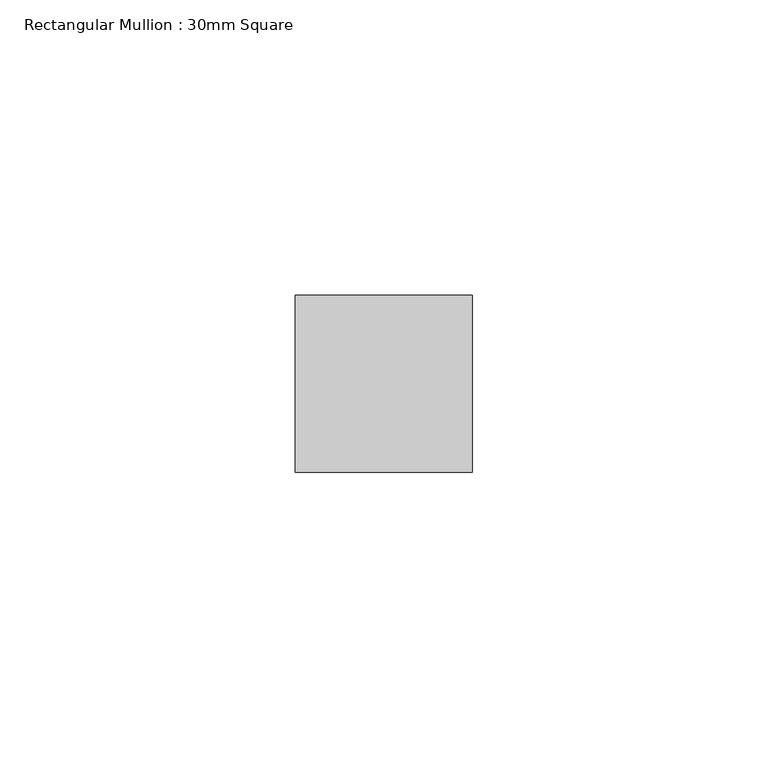
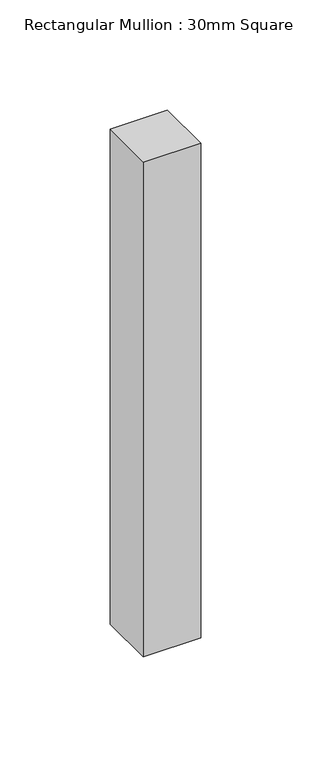
"""IFC4 building model written with IfcOpenShell, lengths in millimetres: member geometry, Rectangular Mullion : 30mm Square."""

from ifc_helpers import new_model, si_unit, origin, place, context, project, spatial, faceted_brep, source, transform, mapped, element, save


def rectangular_mullion_30mm_square_65984697(model_context):
    return source(origin(), model_context, "Body", "Brep", [
        faceted_brep([(0.0, 15.0, 0.0), (-30.0, 15.0, 0.0), (-30.0, -15.0, 0.0), (0.0, -15.0, 0.0), (0.0, 15.0, -274.5375653), (-30.0, 15.0, -274.5375653), (-30.0, -14.8584275, -274.2570617), (0.0, -15.0, -274.2557317)], [[[0, 1, 2, 3]], [[1, 0, 4, 5]], [[2, 1, 5, 6]], [[3, 2, 6, 7]], [[0, 3, 7, 4]], [[4, 7, 6, 5]]]),
    ])


if __name__ == "__main__":
    model = new_model("IFC4")
    model_context = context("Model", 3, world=origin())
    ifc_project = project(units=[si_unit("LENGTHUNIT", "METRE", prefix="MILLI")], contexts=[model_context])
    site = spatial("IfcSite", under=ifc_project)
    building = spatial("IfcBuilding", under=site)
    placement = place(None, origin())
    rectangular_mullion_30mm_square_shape = rectangular_mullion_30mm_square_65984697(model_context)
    element("IfcMember", 1, ObjectType="Rectangular Mullion : 30mm Square", at=placement, inside=building, context=model_context, shape_type="MappedRepresentation", body=[
        mapped(rectangular_mullion_30mm_square_shape, transform((0.0, 0.0, 0.0), x_axis=(1.0, 0.0, 0.0), y_axis=(0.0, 1.0, 0.0), z_axis=(0.0, 0.0, 1.0))),
    ])
    save(model, "model.ifc")
